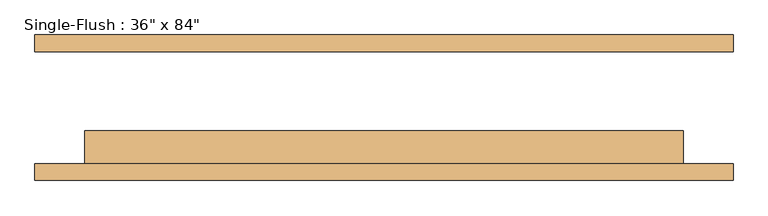
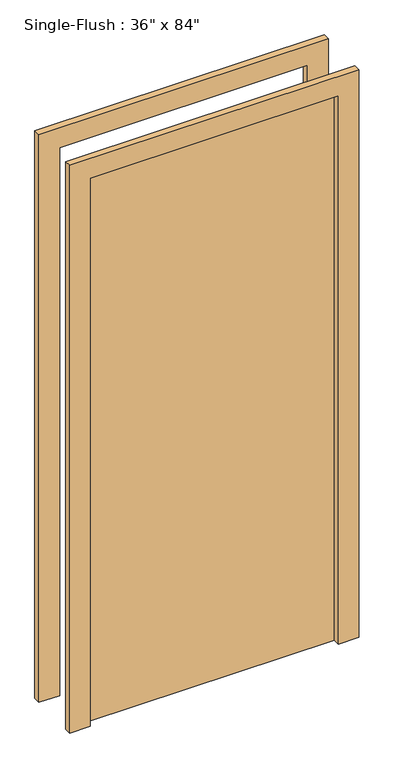
"""IFC4 building model written with IfcOpenShell, lengths in millimetres: door geometry."""

from ifc_helpers import new_model, si_unit, frame, origin, origin_with_axes, place, context, project, spatial, polyline, outline, extrude, source, transform, mapped, element, save


def door_d7907053(model_context):
    return source(origin(), model_context, "Body", "SweptSolid", [
        extrude(outline(polyline([(2209.8, -533.4), (0.0, -533.4), (0.0, -457.2), (2133.6, -457.2), (2133.6, 457.2), (0.0, 457.2), (0.0, 533.4), (2209.8, 533.4), (2209.8, -533.4)])), frame((0.0, -111.125, 0.0), z_axis=(0.0, 1.0, 0.0), x_axis=(0.0, 0.0, 1.0)), (0.0, 0.0, 1.0), 25.4),
        extrude(outline(polyline([(2209.8, 533.4), (2209.8, -533.4), (0.0, -533.4), (0.0, -457.2), (2133.6, -457.2), (2133.6, 457.2), (0.0, 457.2), (0.0, 533.4), (2209.8, 533.4)])), frame((0.0, 85.725, 0.0), z_axis=(0.0, 1.0, 0.0), x_axis=(0.0, 0.0, 1.0)), (0.0, 0.0, 1.0), 25.4),
        extrude(outline(polyline([(457.2, -34.925), (457.2, -85.725), (-457.2, -85.725), (-457.2, -34.925), (457.2, -34.925)])), origin_with_axes(), (0.0, 0.0, 1.0), 2133.6),
    ])


if __name__ == "__main__":
    model = new_model("IFC4")
    model_context = context("Model", 3, world=origin())
    ifc_project = project(units=[si_unit("LENGTHUNIT", "METRE", prefix="MILLI")], contexts=[model_context])
    site = spatial("IfcSite", under=ifc_project)
    building = spatial("IfcBuilding", under=site)
    placement = place(None, origin())
    door_shape = door_d7907053(model_context)
    element("IfcDoor", 1, ObjectType="Single-Flush : 36\" x 84\"", at=placement, inside=building, context=model_context, shape_type="MappedRepresentation", body=[
        mapped(door_shape, transform((0.0, 0.0, 0.0), x_axis=(1.0, 0.0, 0.0), y_axis=(0.0, 1.0, 0.0), z_axis=(0.0, 0.0, 1.0))),
    ])
    save(model, "model.ifc")
